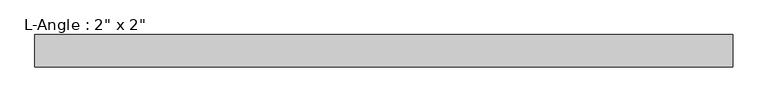
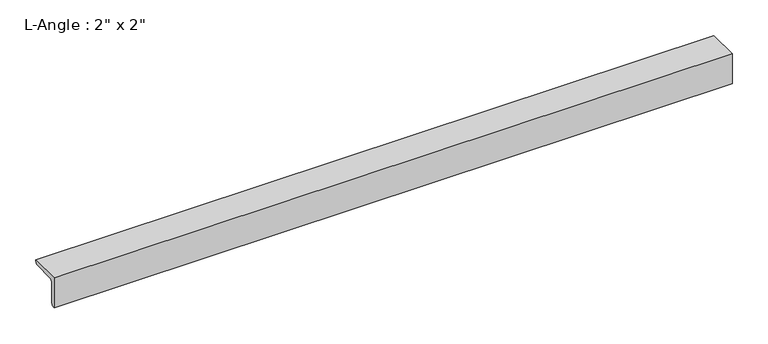
"""IFC4 building model written with IfcOpenShell, lengths in millimetres: beam geometry."""

from ifc_helpers import new_model, si_unit, point, frame, frame_2d, origin, place, context, project, spatial, polyline, circle_curve, trimmed, segment, composite_curve, outline, extrude, source, transform, mapped, element, save


def beam_e88094f9(model_context):
    return source(origin(), model_context, "Body", "SweptSolid", [
        extrude(outline(composite_curve([segment(polyline([(0.0, 0.0), (50.8, 0.0)]), True, "CONTINUOUS"), segment(trimmed(circle_curve(frame_2d((44.45, 0.0)), 6.35), [point((50.8, 0.0))], [point((44.45, -6.35))], False, "CARTESIAN"), True, "CONTINUOUS"), segment(polyline([(44.45, -6.35), (12.7, -6.35)]), True, "CONTINUOUS"), segment(trimmed(circle_curve(frame_2d((12.7, -12.7)), 6.35), [point((12.7, -6.35))], [point((6.35, -12.7))], True, "CARTESIAN"), True, "CONTINUOUS"), segment(polyline([(6.35, -12.7), (6.35, -44.45)]), True, "CONTINUOUS"), segment(trimmed(circle_curve(frame_2d((0.0, -44.45)), 6.35), [point((6.35, -44.45))], [point((0.0, -50.8))], False, "CARTESIAN"), True, "CONTINUOUS"), segment(polyline([(0.0, -50.8), (0.0, 0.0)]), True, "CONTINUOUS")], self_intersect=False)), frame((-546.4448955, 0.0, 0.0), z_axis=(1.0, 0.0, 0.0), x_axis=(0.0, 1.0, 0.0)), (0.0, 0.0, 1.0), 1092.8897909),
    ])


if __name__ == "__main__":
    model = new_model("IFC4")
    model_context = context("Model", 3, world=origin())
    ifc_project = project(units=[si_unit("LENGTHUNIT", "METRE", prefix="MILLI")], contexts=[model_context])
    site = spatial("IfcSite", under=ifc_project)
    building = spatial("IfcBuilding", under=site)
    placement = place(None, origin())
    beam_shape = beam_e88094f9(model_context)
    element("IfcBeam", 1, ObjectType="L-Angle : 2\" x 2\"", at=placement, inside=building, context=model_context, shape_type="MappedRepresentation", body=[
        mapped(beam_shape, transform((0.0, 0.0, 0.0), x_axis=(1.0, 0.0, 0.0), y_axis=(0.0, 1.0, 0.0), z_axis=(0.0, 0.0, 1.0))),
    ])
    save(model, "model.ifc")
